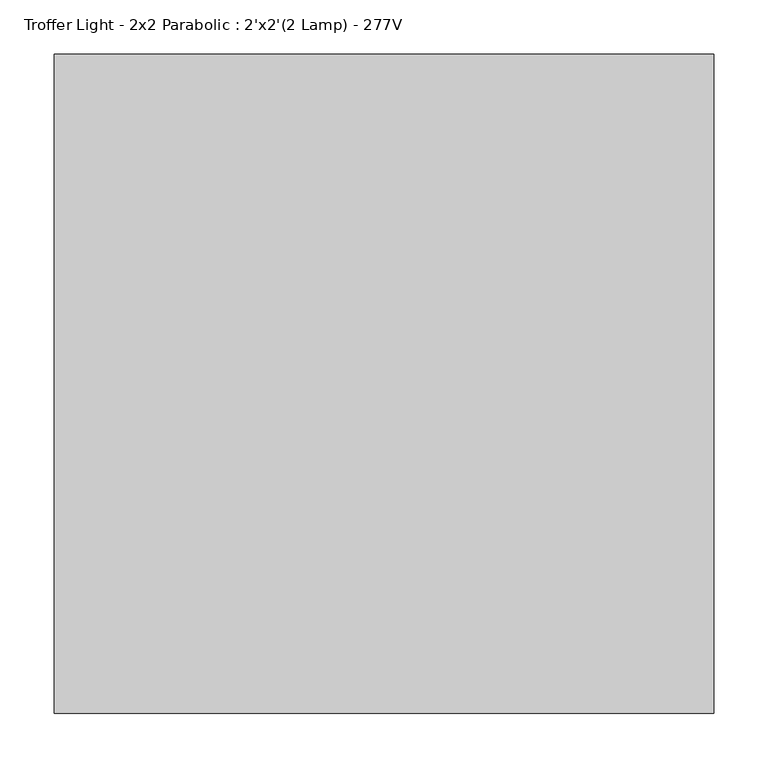
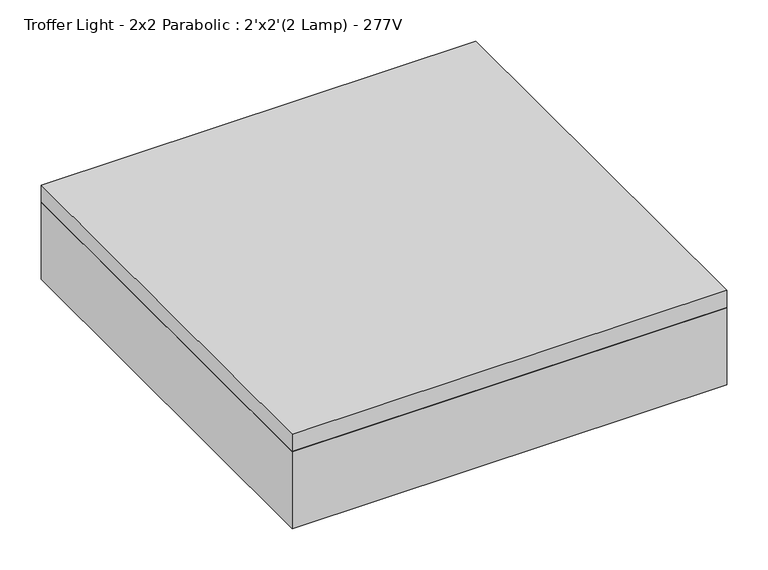
"""IFC4 building model written with IfcOpenShell, lengths in millimetres: light fixture geometry, Troffer Light - 2x2 Parabolic : 2'x2'(2 Lamp) - 277V."""

from ifc_helpers import new_model, si_unit, frame, origin, place, context, project, spatial, polyline, outline, extrude, source, transform, mapped, element, save


def troffer_light_2x2_parabolic_2_x2_2_lamp_277v_42650cf3(model_context):
    return source(origin(), model_context, "Body", "SweptSolid", [
        extrude(outline(polyline([(260.6964984, 219.9340679), (260.6964984, -338.8659321), (-298.1035016, -338.8659321), (-298.1035016, 219.9340679), (260.6964984, 219.9340679)]), holes=[polyline([(-113.9535016, 35.7840679), (-113.9535016, 213.5840679), (-291.7535016, 213.5840679), (-291.7535016, 35.7840679), (-113.9535016, 35.7840679)]), polyline([(-113.9535016, -148.3659321), (-113.9535016, 29.4340679), (-291.7535016, 29.4340679), (-291.7535016, -148.3659321), (-113.9535016, -148.3659321)]), polyline([(-113.9535016, -154.7159321), (-291.7535016, -154.7159321), (-291.7535016, -332.5159321), (-113.9535016, -332.5159321), (-113.9535016, -154.7159321)]), polyline([(70.1964984, 35.7840679), (70.1964984, 213.5840679), (-107.6035016, 213.5840679), (-107.6035016, 35.7840679), (70.1964984, 35.7840679)]), polyline([(70.1964984, -148.3659321), (70.1964984, 29.4340679), (-107.6035016, 29.4340679), (-107.6035016, -148.3659321), (70.1964984, -148.3659321)]), polyline([(70.1964984, -154.7159321), (-107.6035016, -154.7159321), (-107.6035016, -332.5159321), (70.1964984, -332.5159321), (70.1964984, -154.7159321)]), polyline([(254.3464984, 35.7840679), (254.3464984, 213.5840679), (76.5464984, 213.5840679), (76.5464984, 35.7840679), (254.3464984, 35.7840679)]), polyline([(254.3464984, -148.3659321), (254.3464984, 29.4340679), (76.5464984, 29.4340679), (76.5464984, -148.3659321), (254.3464984, -148.3659321)]), polyline([(254.3464984, -154.7159321), (76.5464984, -154.7159321), (76.5464984, -332.5159321), (254.3464984, -332.5159321), (254.3464984, -154.7159321)])]), frame((0.0, 0.0, 2438.4), z_axis=(0.0, 0.0, 1.0), x_axis=(1.0, 0.0, 0.0)), (0.0, 0.0, 1.0), 3.175),
        extrude(outline(polyline([(260.6964984, 219.9340679), (260.6964984, -338.8659321), (-298.1035016, -338.8659321), (-298.1035016, 219.9340679), (260.6964984, 219.9340679)])), frame((0.0, 0.0, 2514.6), z_axis=(0.0, 0.0, 1.0), x_axis=(1.0, 0.0, 0.0)), (0.0, 0.0, 1.0), 6.35),
        extrude(outline(polyline([(260.6964984, 219.9340679), (260.6964984, -338.8659321), (-298.1035016, -338.8659321), (-298.1035016, 219.9340679), (260.6964984, 219.9340679)]), holes=[polyline([(-113.9535016, 35.7840679), (-113.9535016, 213.5840679), (-291.7535016, 213.5840679), (-291.7535016, 35.7840679), (-113.9535016, 35.7840679)]), polyline([(-113.9535016, -148.3659321), (-113.9535016, 29.4340679), (-291.7535016, 29.4340679), (-291.7535016, -148.3659321), (-113.9535016, -148.3659321)]), polyline([(-113.9535016, -154.7159321), (-291.7535016, -154.7159321), (-291.7535016, -332.5159321), (-113.9535016, -332.5159321), (-113.9535016, -154.7159321)]), polyline([(70.1964984, 35.7840679), (70.1964984, 213.5840679), (-107.6035016, 213.5840679), (-107.6035016, 35.7840679), (70.1964984, 35.7840679)]), polyline([(70.1964984, -148.3659321), (70.1964984, 29.4340679), (-107.6035016, 29.4340679), (-107.6035016, -148.3659321), (70.1964984, -148.3659321)]), polyline([(70.1964984, -154.7159321), (-107.6035016, -154.7159321), (-107.6035016, -332.5159321), (70.1964984, -332.5159321), (70.1964984, -154.7159321)]), polyline([(254.3464984, 35.7840679), (254.3464984, 213.5840679), (76.5464984, 213.5840679), (76.5464984, 35.7840679), (254.3464984, 35.7840679)]), polyline([(254.3464984, -148.3659321), (254.3464984, 29.4340679), (76.5464984, 29.4340679), (76.5464984, -148.3659321), (254.3464984, -148.3659321)]), polyline([(254.3464984, -154.7159321), (76.5464984, -154.7159321), (76.5464984, -332.5159321), (254.3464984, -332.5159321), (254.3464984, -154.7159321)])]), frame((0.0, 0.0, 2441.575), z_axis=(0.0, 0.0, 1.0), x_axis=(1.0, 0.0, 0.0)), (0.0, 0.0, 1.0), 47.625),
        extrude(outline(polyline([(286.0964984, 245.3340679), (286.0964984, -364.2659321), (-323.5035016, -364.2659321), (-323.5035016, 245.3340679), (286.0964984, 245.3340679)]), holes=[polyline([(260.6964984, 219.9340679), (-298.1035016, 219.9340679), (-298.1035016, -338.8659321), (260.6964984, -338.8659321), (260.6964984, 219.9340679)])]), frame((0.0, 0.0, 2438.4), z_axis=(0.0, 0.0, 1.0), x_axis=(1.0, 0.0, 0.0)), (0.0, 0.0, 1.0), 114.3),
        extrude(outline(polyline([(286.0964984, 245.3340679), (286.0964984, -364.2659321), (-323.5035016, -364.2659321), (-323.5035016, 245.3340679), (286.0964984, 245.3340679)])), frame((0.0, 0.0, 2552.7), z_axis=(0.0, 0.0, 1.0), x_axis=(1.0, 0.0, 0.0)), (0.0, 0.0, 1.0), 25.4),
    ])


if __name__ == "__main__":
    model = new_model("IFC4")
    model_context = context("Model", 3, world=origin())
    ifc_project = project(units=[si_unit("LENGTHUNIT", "METRE", prefix="MILLI")], contexts=[model_context])
    site = spatial("IfcSite", under=ifc_project)
    building = spatial("IfcBuilding", under=site)
    placement = place(None, origin())
    troffer_light_2x2_parabolic_2_x2_2_lamp_277v_shape = troffer_light_2x2_parabolic_2_x2_2_lamp_277v_42650cf3(model_context)
    element("IfcLightFixture", 1, ObjectType="Troffer Light - 2x2 Parabolic : 2'x2'(2 Lamp) - 277V", at=placement, inside=building, context=model_context, shape_type="MappedRepresentation", body=[
        mapped(troffer_light_2x2_parabolic_2_x2_2_lamp_277v_shape, transform((0.0, 0.0, 0.0), x_axis=(1.0, 0.0, 0.0), y_axis=(0.0, 1.0, 0.0), z_axis=(0.0, 0.0, 1.0))),
    ])
    save(model, "model.ifc")
